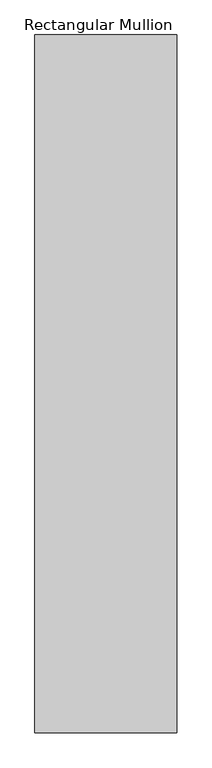
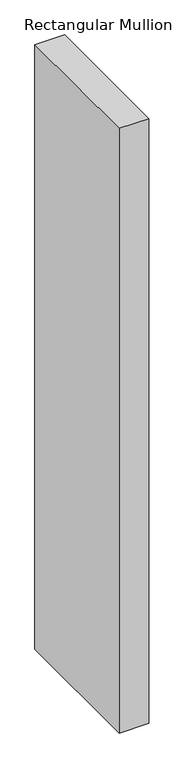
"""IFC4 building model written with IfcOpenShell, lengths in millimetres: member geometry, Rectangular Mullion."""

from ifc_helpers import new_model, si_unit, frame, origin, place, context, project, spatial, polyline, outline, extrude, source, transform, mapped, element, save


def rectangular_mullion_9cb75678(model_context):
    return source(origin(), model_context, "Body", "SweptSolid", [
        extrude(outline(polyline([(400.0, 1600.0), (400.0, -1600.0), (-250.0, -1600.0), (-250.0, 1600.0), (400.0, 1600.0)])), frame((0.0, 0.0, -14020.0), z_axis=(0.0, 0.0, 1.0), x_axis=(1.0, 0.0, 0.0)), (0.0, 0.0, 1.0), 14020.0),
    ])


if __name__ == "__main__":
    model = new_model("IFC4")
    model_context = context("Model", 3, world=origin())
    ifc_project = project(units=[si_unit("LENGTHUNIT", "METRE", prefix="MILLI")], contexts=[model_context])
    site = spatial("IfcSite", under=ifc_project)
    building = spatial("IfcBuilding", under=site)
    placement = place(None, origin())
    rectangular_mullion_shape = rectangular_mullion_9cb75678(model_context)
    element("IfcMember", 1, ObjectType="Rectangular Mullion", at=placement, inside=building, context=model_context, shape_type="MappedRepresentation", body=[
        mapped(rectangular_mullion_shape, transform((0.0, 0.0, 0.0), x_axis=(1.0, 0.0, 0.0), y_axis=(0.0, 1.0, 0.0), z_axis=(0.0, 0.0, 1.0))),
    ])
    save(model, "model.ifc")
